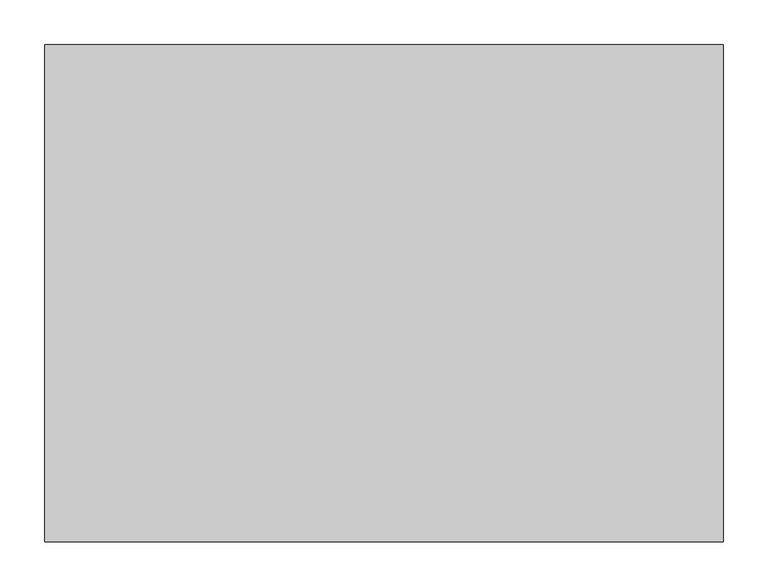
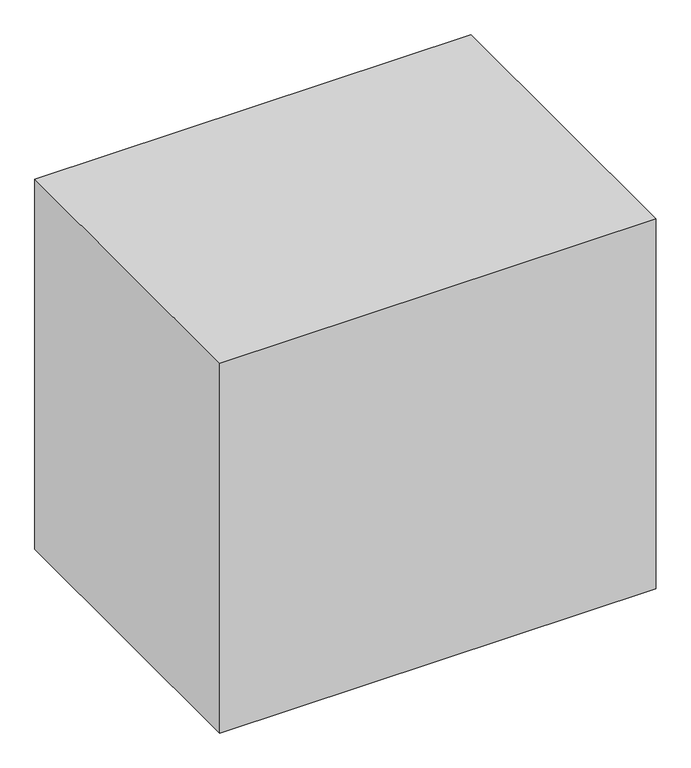
"""IFC4 building model written with IfcOpenShell, lengths in millimetres: furniture geometry."""

from ifc_helpers import new_model, si_unit, frame, origin, place, context, project, spatial, polyline, outline, extrude, source, transform, mapped, element, save


def furniture_5672cfa6(model_context):
    return source(origin(), model_context, "Body", "SweptSolid", [
        extrude(outline(polyline([(-209.8622951, 406.4), (-209.8622951, -152.4), (-971.8622951, -152.4), (-971.8622951, 406.4), (-209.8622951, 406.4)])), frame((0.0, 0.0, 101.6006878), z_axis=(0.0, 0.0, 1.0), x_axis=(1.0, 0.0, 0.0)), (0.0, 0.0, 1.0), 682.7177754),
    ])


if __name__ == "__main__":
    model = new_model("IFC4")
    model_context = context("Model", 3, world=origin())
    ifc_project = project(units=[si_unit("LENGTHUNIT", "METRE", prefix="MILLI")], contexts=[model_context])
    site = spatial("IfcSite", under=ifc_project)
    building = spatial("IfcBuilding", under=site)
    placement = place(None, origin())
    furniture_shape = furniture_5672cfa6(model_context)
    element("IfcFurniture", 1, at=placement, inside=building, context=model_context, shape_type="MappedRepresentation", body=[
        mapped(furniture_shape, transform((0.0, 0.0, 0.0), x_axis=(1.0, 0.0, 0.0), y_axis=(0.0, 1.0, 0.0), z_axis=(0.0, 0.0, 1.0))),
    ])
    save(model, "model.ifc")
